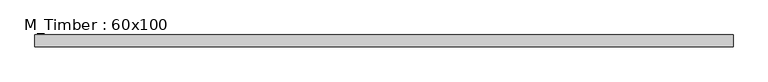
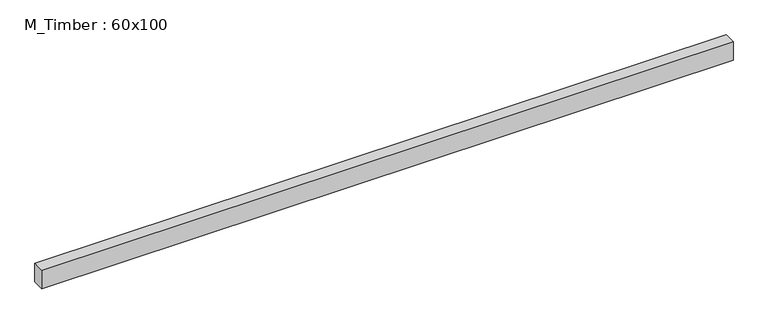
"""IFC4 building model written with IfcOpenShell, lengths in millimetres: beam geometry, M_Timber : 60x100."""

from ifc_helpers import new_model, si_unit, frame, origin, place, context, project, spatial, polyline, outline, extrude, source, transform, mapped, element, save


def m_timber_60x100_8016fbdf(model_context):
    return source(origin(), model_context, "Body", "SweptSolid", [
        extrude(outline(polyline([(1772.0521389, 30.0), (1772.0521389, -30.0), (-1753.0413299, -30.0), (-1753.0413299, 30.0), (1772.0521389, 30.0)])), frame((0.0, 0.0, -50.0), z_axis=(0.0, 0.0, 1.0), x_axis=(1.0, 0.0, 0.0)), (0.0, 0.0, 1.0), 100.0),
    ])


if __name__ == "__main__":
    model = new_model("IFC4")
    model_context = context("Model", 3, world=origin())
    ifc_project = project(units=[si_unit("LENGTHUNIT", "METRE", prefix="MILLI")], contexts=[model_context])
    site = spatial("IfcSite", under=ifc_project)
    building = spatial("IfcBuilding", under=site)
    placement = place(None, origin())
    m_timber_60x100_shape = m_timber_60x100_8016fbdf(model_context)
    element("IfcBeam", 1, ObjectType="M_Timber : 60x100", at=placement, inside=building, context=model_context, shape_type="MappedRepresentation", body=[
        mapped(m_timber_60x100_shape, transform((0.0, 0.0, 0.0), x_axis=(1.0, 0.0, 0.0), y_axis=(0.0, 1.0, 0.0), z_axis=(0.0, 0.0, 1.0))),
    ])
    save(model, "model.ifc")
